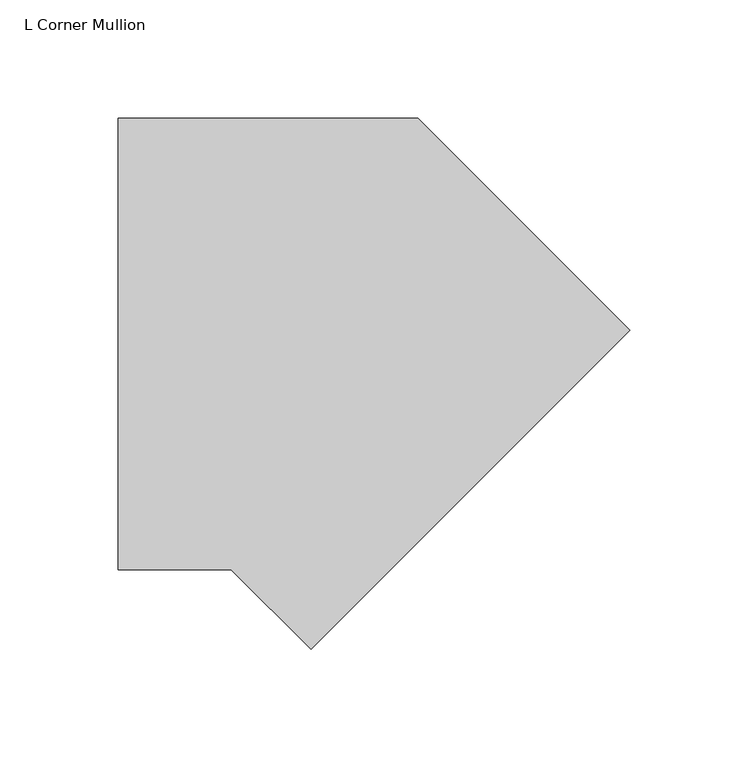
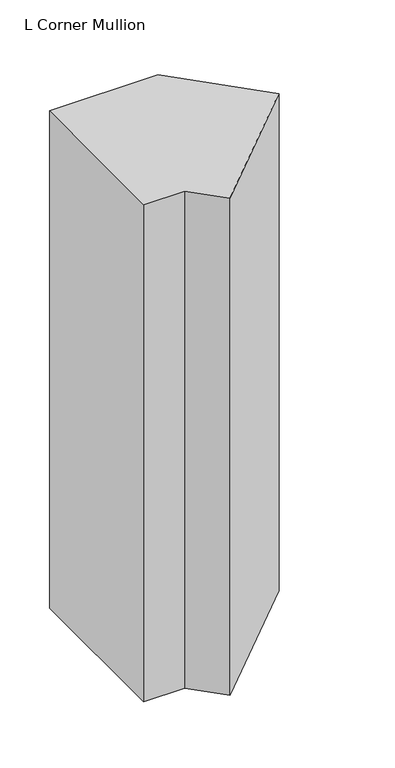
"""IFC4 building model written with IfcOpenShell, lengths in millimetres: member geometry, L Corner Mullion."""

import ifcopenshell
import ifcopenshell.guid

model = None  # the IFC model being written
_history = None  # IfcOwnerHistory: only IFC2X3 demands one
_inside = {}  # id of a spatial element -> (the spatial element, [elements in it])
_under = {}  # id of a project, library or spatial element -> (it, [spatial elements below it])
_declared = {}  # id of a project -> (the project, [libraries it declares])
_typed = {}  # id of a type object -> (the type object, [elements of that type])
_made_of = {}  # id of a material, layer set ... -> (it, [elements and type objects made of it])


def new_model(schema):
    """Start an empty IFC model of exactly this schema.

    Asked for "IFC4X3", IfcOpenShell would pick the latest addendum, in which some entities
    have other attributes; the version numbers below select the first issue.
    IFC2X3 requires an IfcOwnerHistory on every rooted entity: one is made here for all.
    """
    global model, _history
    if schema == "IFC4X3":
        model = ifcopenshell.file(schema_version=(4, 3, 0, 0))
    else:
        model = ifcopenshell.file(schema=schema)
    _inside.clear()
    _under.clear()
    _declared.clear()
    _typed.clear()
    _made_of.clear()
    _history = None
    if model.schema == "IFC2X3":
        org = make("IfcOrganization", Name="unknown")
        user = make(
            "IfcPersonAndOrganization",
            ThePerson=make("IfcPerson", FamilyName="unknown"),
            TheOrganization=org,
        )
        app = make(
            "IfcApplication",
            ApplicationDeveloper=org,
            Version="unknown",
            ApplicationFullName="unknown",
            ApplicationIdentifier="unknown",
        )
        _history = make(
            "IfcOwnerHistory",
            OwningUser=user,
            OwningApplication=app,
            ChangeAction="ADDED",
            CreationDate=0,
        )
    return model


def make(cls, **values):
    """One entity of the class cls with the attributes given. An attribute that is None is left unset."""
    return model.create_entity(
        cls, **{name: value for name, value in values.items() if value is not None}
    )


def rooted(cls, **values):
    """An entity with a GlobalId (a new one), such as an element, a storey or a relation."""
    return make(cls, GlobalId=ifcopenshell.guid.new(), OwnerHistory=_history, **values)


def si_unit(unit_type, name, prefix=None):
    """IfcSIUnit, for example si_unit("LENGTHUNIT", "METRE", prefix="MILLI")."""
    return make("IfcSIUnit", UnitType=unit_type, Prefix=prefix, Name=name)


def assignment(units):
    """IfcUnitAssignment: the units of a project."""
    return None if units is None else make("IfcUnitAssignment", Units=units)


def point(xyz):
    """IfcCartesianPoint."""
    return None if xyz is None else make("IfcCartesianPoint", Coordinates=xyz)


def direction(xyz):
    """IfcDirection."""
    return None if xyz is None else make("IfcDirection", DirectionRatios=xyz)


def frame(location, z_axis=None, x_axis=None):
    """IfcAxis2Placement3D, a coordinate frame: its origin and axes. An axis left out is left unset."""
    return make(
        "IfcAxis2Placement3D",
        Location=point(location),
        Axis=direction(z_axis),
        RefDirection=direction(x_axis),
    )


def origin():
    """The frame at (0, 0, 0) with its axes left unset."""
    return frame((0.0, 0.0, 0.0))


def place(relative_to, where):
    """IfcLocalPlacement: puts the frame where relative to a parent placement (None: the world)."""
    return make(
        "IfcLocalPlacement", PlacementRelTo=relative_to, RelativePlacement=where
    )


def context(
    kind, dimensions, precision=None, world=None, true_north=None, identifier=None
):
    """IfcGeometricRepresentationContext, for example the 3D "Model" context."""
    return make(
        "IfcGeometricRepresentationContext",
        ContextIdentifier=identifier,
        ContextType=kind,
        CoordinateSpaceDimension=dimensions,
        Precision=precision,
        WorldCoordinateSystem=world,
        TrueNorth=true_north,
    )


def project(units=None, contexts=None):
    """IfcProject with its units and contexts."""
    return rooted(
        "IfcProject",
        Name="project",
        RepresentationContexts=contexts,
        UnitsInContext=assignment(units),
    )


def spatial(cls, under=None, at=None, **own):
    """A site, building, storey or space (cls), placed at a placement, below another one or the project."""
    s = rooted(cls, ObjectPlacement=at, **own)
    if under is not None:
        _under.setdefault(under.id(), (under, []))[1].append(s)
    return s


def polyline(points):
    """IfcPolyline through the points."""
    return make("IfcPolyline", Points=[point(p) for p in points])


def outline(outer, holes=None, kind="AREA"):
    """IfcArbitraryClosedProfileDef: a profile drawn as a closed curve; with holes, ...WithVoids."""
    if holes is None:
        return make("IfcArbitraryClosedProfileDef", ProfileType=kind, OuterCurve=outer)
    return make(
        "IfcArbitraryProfileDefWithVoids",
        ProfileType=kind,
        OuterCurve=outer,
        InnerCurves=holes,
    )


def extrude(swept, where, along, depth):
    """IfcExtrudedAreaSolid: the profile swept, set in the frame where, extruded along a direction by depth."""
    return make(
        "IfcExtrudedAreaSolid",
        SweptArea=swept,
        Position=where,
        ExtrudedDirection=direction(along),
        Depth=depth,
    )


def shape(context_of_items, identifier, shape_type, items):
    """IfcShapeRepresentation: the items that make up one representation, for example the "Body"."""
    return make(
        "IfcShapeRepresentation",
        ContextOfItems=context_of_items,
        RepresentationIdentifier=identifier,
        RepresentationType=shape_type,
        Items=items,
    )


def source(mapping_origin, context_of_items, identifier, shape_type, items):
    """IfcRepresentationMap: a shape defined once, which mapped items show again and again."""
    return make(
        "IfcRepresentationMap",
        MappingOrigin=mapping_origin,
        MappedRepresentation=shape(context_of_items, identifier, shape_type, items),
    )


def transform(
    local_origin,
    x_axis=None,
    y_axis=None,
    z_axis=None,
    scale=None,
    scale2=None,
    scale3=None,
    uniform=True,
):
    """IfcCartesianTransformationOperator3D, or its non-uniform kind. x_axis, y_axis, z_axis: its Axis1, 2, 3."""
    if uniform:
        return make(
            "IfcCartesianTransformationOperator3D",
            Axis1=direction(x_axis),
            Axis2=direction(y_axis),
            LocalOrigin=point(local_origin),
            Scale=scale,
            Axis3=direction(z_axis),
        )
    return make(
        "IfcCartesianTransformationOperator3DnonUniform",
        Axis1=direction(x_axis),
        Axis2=direction(y_axis),
        LocalOrigin=point(local_origin),
        Scale=scale,
        Axis3=direction(z_axis),
        Scale2=scale2,
        Scale3=scale3,
    )


def mapped(mapping_source, mapping_target):
    """IfcMappedItem: shows the shape of a source again, moved by a transform."""
    return make(
        "IfcMappedItem", MappingSource=mapping_source, MappingTarget=mapping_target
    )


def made_of(thing, what):
    """Note that an element or type object is made of a material, layer set ...; save() writes the relation."""
    if what is not None:
        _made_of.setdefault(what.id(), (what, []))[1].append(thing)
    return thing


def element(
    cls,
    number,
    at=None,
    inside=None,
    cuts=None,
    type_object=None,
    material=None,
    context=None,
    identifier="Body",
    shape_type=None,
    held_by="IfcProductDefinitionShape",
    body=None,
    shapes=None,
    **own,
):
    """One element of the class cls, such as IfcWall. Its Tag is "e" and its number.

    at: its placement. inside: the storey or other place that contains it. cuts: it is an
    opening in that element (IfcRelVoidsElement). A single representation is given by context,
    identifier, shape_type and body (its items); several are given by shapes. held_by: the class
    of the entity that holds the representations. save() writes the other relations.
    """
    e = rooted(cls, Tag="e%d" % number, ObjectPlacement=at, **own)
    if body is not None:
        shapes = [shape(context, identifier, shape_type, body)]
    if shapes is not None:
        e.Representation = make(held_by, Representations=shapes)
    if inside is not None:
        _inside.setdefault(inside.id(), (inside, []))[1].append(e)
    if cuts is not None:
        rooted(
            "IfcRelVoidsElement", RelatingBuildingElement=cuts, RelatedOpeningElement=e
        )
    if type_object is not None:
        _typed.setdefault(type_object.id(), (type_object, []))[1].append(e)
    return made_of(e, material)


def aggregate(whole, parts):
    """IfcRelAggregates: a whole, such as a stair, and the parts it consists of."""
    return rooted("IfcRelAggregates", RelatingObject=whole, RelatedObjects=parts)


def save(model, path):
    """Write the relations noted so far, then the file.

    IfcRelAggregates (storeys below a building ...), IfcRelContainedInSpatialStructure (elements
    in a storey), IfcRelDefinesByType, IfcRelAssociatesMaterial and IfcRelDeclares: one each for
    every whole, place, type object, material and project.
    """
    for whole, parts in _under.values():
        aggregate(whole, parts)
    for where, things in _inside.values():
        rooted(
            "IfcRelContainedInSpatialStructure",
            RelatedElements=things,
            RelatingStructure=where,
        )
    for kind, things in _typed.values():
        rooted("IfcRelDefinesByType", RelatedObjects=things, RelatingType=kind)
    for what, things in _made_of.values():
        rooted("IfcRelAssociatesMaterial", RelatedObjects=things, RelatingMaterial=what)
    for by, libraries in _declared.values():
        rooted("IfcRelDeclares", RelatingContext=by, RelatedDefinitions=libraries)
    model.write(path)


def l_corner_mullion_84bb117e(model_context):
    return source(origin(), model_context, "Body", "SweptSolid", [
        extrude(outline(polyline([(-29.4252817, -186.1008652), (-63.1261469, -152.4), (-110.7863676, -152.4), (-110.7863676, 38.1), (15.7815367, 38.1), (105.2785601, -51.3970234), (-29.4252817, -186.1008652)])), frame((0.0, 0.0, -612.7750377), z_axis=(0.0, 0.0, 1.0), x_axis=(1.0, 0.0, 0.0)), (0.0, 0.0, 1.0), 612.7750377),
    ])


if __name__ == "__main__":
    model = new_model("IFC4")
    model_context = context("Model", 3, world=origin())
    ifc_project = project(units=[si_unit("LENGTHUNIT", "METRE", prefix="MILLI")], contexts=[model_context])
    site = spatial("IfcSite", under=ifc_project)
    building = spatial("IfcBuilding", under=site)
    placement = place(None, origin())
    l_corner_mullion_shape = l_corner_mullion_84bb117e(model_context)
    element("IfcMember", 1, ObjectType="L Corner Mullion", at=placement, inside=building, context=model_context, shape_type="MappedRepresentation", body=[
        mapped(l_corner_mullion_shape, transform((0.0, 0.0, 0.0), x_axis=(1.0, 0.0, 0.0), y_axis=(0.0, 1.0, 0.0), z_axis=(0.0, 0.0, 1.0))),
    ])
    save(model, "model.ifc")
